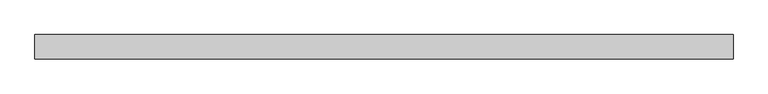
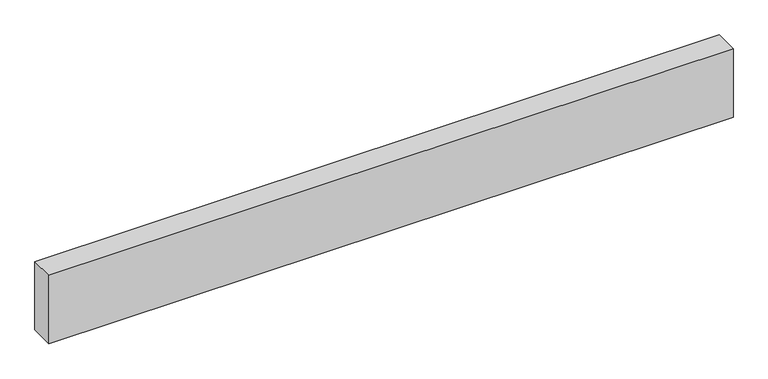
"""IFC4 building model written with IfcOpenShell, lengths in millimetres: proxy geometry."""

import ifcopenshell
import ifcopenshell.guid

model = None  # the IFC model being written
_history = None  # IfcOwnerHistory: only IFC2X3 demands one
_inside = {}  # id of a spatial element -> (the spatial element, [elements in it])
_under = {}  # id of a project, library or spatial element -> (it, [spatial elements below it])
_declared = {}  # id of a project -> (the project, [libraries it declares])
_typed = {}  # id of a type object -> (the type object, [elements of that type])
_made_of = {}  # id of a material, layer set ... -> (it, [elements and type objects made of it])


def new_model(schema):
    """Start an empty IFC model of exactly this schema.

    Asked for "IFC4X3", IfcOpenShell would pick the latest addendum, in which some entities
    have other attributes; the version numbers below select the first issue.
    IFC2X3 requires an IfcOwnerHistory on every rooted entity: one is made here for all.
    """
    global model, _history
    if schema == "IFC4X3":
        model = ifcopenshell.file(schema_version=(4, 3, 0, 0))
    else:
        model = ifcopenshell.file(schema=schema)
    _inside.clear()
    _under.clear()
    _declared.clear()
    _typed.clear()
    _made_of.clear()
    _history = None
    if model.schema == "IFC2X3":
        org = make("IfcOrganization", Name="unknown")
        user = make(
            "IfcPersonAndOrganization",
            ThePerson=make("IfcPerson", FamilyName="unknown"),
            TheOrganization=org,
        )
        app = make(
            "IfcApplication",
            ApplicationDeveloper=org,
            Version="unknown",
            ApplicationFullName="unknown",
            ApplicationIdentifier="unknown",
        )
        _history = make(
            "IfcOwnerHistory",
            OwningUser=user,
            OwningApplication=app,
            ChangeAction="ADDED",
            CreationDate=0,
        )
    return model


def make(cls, **values):
    """One entity of the class cls with the attributes given. An attribute that is None is left unset."""
    return model.create_entity(
        cls, **{name: value for name, value in values.items() if value is not None}
    )


def rooted(cls, **values):
    """An entity with a GlobalId (a new one), such as an element, a storey or a relation."""
    return make(cls, GlobalId=ifcopenshell.guid.new(), OwnerHistory=_history, **values)


def si_unit(unit_type, name, prefix=None):
    """IfcSIUnit, for example si_unit("LENGTHUNIT", "METRE", prefix="MILLI")."""
    return make("IfcSIUnit", UnitType=unit_type, Prefix=prefix, Name=name)


def assignment(units):
    """IfcUnitAssignment: the units of a project."""
    return None if units is None else make("IfcUnitAssignment", Units=units)


def point(xyz):
    """IfcCartesianPoint."""
    return None if xyz is None else make("IfcCartesianPoint", Coordinates=xyz)


def direction(xyz):
    """IfcDirection."""
    return None if xyz is None else make("IfcDirection", DirectionRatios=xyz)


def frame(location, z_axis=None, x_axis=None):
    """IfcAxis2Placement3D, a coordinate frame: its origin and axes. An axis left out is left unset."""
    return make(
        "IfcAxis2Placement3D",
        Location=point(location),
        Axis=direction(z_axis),
        RefDirection=direction(x_axis),
    )


def origin():
    """The frame at (0, 0, 0) with its axes left unset."""
    return frame((0.0, 0.0, 0.0))


def origin_with_axes():
    """The frame at (0, 0, 0) with the z axis (0, 0, 1) and the x axis (1, 0, 0) written out."""
    return frame((0.0, 0.0, 0.0), z_axis=(0.0, 0.0, 1.0), x_axis=(1.0, 0.0, 0.0))


def place(relative_to, where):
    """IfcLocalPlacement: puts the frame where relative to a parent placement (None: the world)."""
    return make(
        "IfcLocalPlacement", PlacementRelTo=relative_to, RelativePlacement=where
    )


def context(
    kind, dimensions, precision=None, world=None, true_north=None, identifier=None
):
    """IfcGeometricRepresentationContext, for example the 3D "Model" context."""
    return make(
        "IfcGeometricRepresentationContext",
        ContextIdentifier=identifier,
        ContextType=kind,
        CoordinateSpaceDimension=dimensions,
        Precision=precision,
        WorldCoordinateSystem=world,
        TrueNorth=true_north,
    )


def project(units=None, contexts=None):
    """IfcProject with its units and contexts."""
    return rooted(
        "IfcProject",
        Name="project",
        RepresentationContexts=contexts,
        UnitsInContext=assignment(units),
    )


def spatial(cls, under=None, at=None, **own):
    """A site, building, storey or space (cls), placed at a placement, below another one or the project."""
    s = rooted(cls, ObjectPlacement=at, **own)
    if under is not None:
        _under.setdefault(under.id(), (under, []))[1].append(s)
    return s


def polyline(points):
    """IfcPolyline through the points."""
    return make("IfcPolyline", Points=[point(p) for p in points])


def outline(outer, holes=None, kind="AREA"):
    """IfcArbitraryClosedProfileDef: a profile drawn as a closed curve; with holes, ...WithVoids."""
    if holes is None:
        return make("IfcArbitraryClosedProfileDef", ProfileType=kind, OuterCurve=outer)
    return make(
        "IfcArbitraryProfileDefWithVoids",
        ProfileType=kind,
        OuterCurve=outer,
        InnerCurves=holes,
    )


def extrude(swept, where, along, depth):
    """IfcExtrudedAreaSolid: the profile swept, set in the frame where, extruded along a direction by depth."""
    return make(
        "IfcExtrudedAreaSolid",
        SweptArea=swept,
        Position=where,
        ExtrudedDirection=direction(along),
        Depth=depth,
    )


def shape(context_of_items, identifier, shape_type, items):
    """IfcShapeRepresentation: the items that make up one representation, for example the "Body"."""
    return make(
        "IfcShapeRepresentation",
        ContextOfItems=context_of_items,
        RepresentationIdentifier=identifier,
        RepresentationType=shape_type,
        Items=items,
    )


def source(mapping_origin, context_of_items, identifier, shape_type, items):
    """IfcRepresentationMap: a shape defined once, which mapped items show again and again."""
    return make(
        "IfcRepresentationMap",
        MappingOrigin=mapping_origin,
        MappedRepresentation=shape(context_of_items, identifier, shape_type, items),
    )


def transform(
    local_origin,
    x_axis=None,
    y_axis=None,
    z_axis=None,
    scale=None,
    scale2=None,
    scale3=None,
    uniform=True,
):
    """IfcCartesianTransformationOperator3D, or its non-uniform kind. x_axis, y_axis, z_axis: its Axis1, 2, 3."""
    if uniform:
        return make(
            "IfcCartesianTransformationOperator3D",
            Axis1=direction(x_axis),
            Axis2=direction(y_axis),
            LocalOrigin=point(local_origin),
            Scale=scale,
            Axis3=direction(z_axis),
        )
    return make(
        "IfcCartesianTransformationOperator3DnonUniform",
        Axis1=direction(x_axis),
        Axis2=direction(y_axis),
        LocalOrigin=point(local_origin),
        Scale=scale,
        Axis3=direction(z_axis),
        Scale2=scale2,
        Scale3=scale3,
    )


def mapped(mapping_source, mapping_target):
    """IfcMappedItem: shows the shape of a source again, moved by a transform."""
    return make(
        "IfcMappedItem", MappingSource=mapping_source, MappingTarget=mapping_target
    )


def made_of(thing, what):
    """Note that an element or type object is made of a material, layer set ...; save() writes the relation."""
    if what is not None:
        _made_of.setdefault(what.id(), (what, []))[1].append(thing)
    return thing


def element(
    cls,
    number,
    at=None,
    inside=None,
    cuts=None,
    type_object=None,
    material=None,
    context=None,
    identifier="Body",
    shape_type=None,
    held_by="IfcProductDefinitionShape",
    body=None,
    shapes=None,
    **own,
):
    """One element of the class cls, such as IfcWall. Its Tag is "e" and its number.

    at: its placement. inside: the storey or other place that contains it. cuts: it is an
    opening in that element (IfcRelVoidsElement). A single representation is given by context,
    identifier, shape_type and body (its items); several are given by shapes. held_by: the class
    of the entity that holds the representations. save() writes the other relations.
    """
    e = rooted(cls, Tag="e%d" % number, ObjectPlacement=at, **own)
    if body is not None:
        shapes = [shape(context, identifier, shape_type, body)]
    if shapes is not None:
        e.Representation = make(held_by, Representations=shapes)
    if inside is not None:
        _inside.setdefault(inside.id(), (inside, []))[1].append(e)
    if cuts is not None:
        rooted(
            "IfcRelVoidsElement", RelatingBuildingElement=cuts, RelatedOpeningElement=e
        )
    if type_object is not None:
        _typed.setdefault(type_object.id(), (type_object, []))[1].append(e)
    return made_of(e, material)


def aggregate(whole, parts):
    """IfcRelAggregates: a whole, such as a stair, and the parts it consists of."""
    return rooted("IfcRelAggregates", RelatingObject=whole, RelatedObjects=parts)


def save(model, path):
    """Write the relations noted so far, then the file.

    IfcRelAggregates (storeys below a building ...), IfcRelContainedInSpatialStructure (elements
    in a storey), IfcRelDefinesByType, IfcRelAssociatesMaterial and IfcRelDeclares: one each for
    every whole, place, type object, material and project.
    """
    for whole, parts in _under.values():
        aggregate(whole, parts)
    for where, things in _inside.values():
        rooted(
            "IfcRelContainedInSpatialStructure",
            RelatedElements=things,
            RelatingStructure=where,
        )
    for kind, things in _typed.values():
        rooted("IfcRelDefinesByType", RelatedObjects=things, RelatingType=kind)
    for what, things in _made_of.values():
        rooted("IfcRelAssociatesMaterial", RelatedObjects=things, RelatingMaterial=what)
    for by, libraries in _declared.values():
        rooted("IfcRelDeclares", RelatingContext=by, RelatedDefinitions=libraries)
    model.write(path)


def generic_models_ffb44adb(model_context):
    return source(origin(), model_context, "Body", "SweptSolid", [
        extrude(outline(polyline([(2841.8156881, 0.0), (2841.8156881, -100.0), (0.0, -100.0), (0.0, 0.0), (2841.8156881, 0.0)])), origin_with_axes(), (0.0, 0.0, 1.0), 300.0),
    ])


if __name__ == "__main__":
    model = new_model("IFC4")
    model_context = context("Model", 3, world=origin())
    ifc_project = project(units=[si_unit("LENGTHUNIT", "METRE", prefix="MILLI")], contexts=[model_context])
    site = spatial("IfcSite", under=ifc_project)
    building = spatial("IfcBuilding", under=site)
    placement = place(None, origin())
    generic_models_shape = generic_models_ffb44adb(model_context)
    element("IfcBuildingElementProxy", 1, Name="Generic Models", at=placement, inside=building, context=model_context, shape_type="MappedRepresentation", body=[
        mapped(generic_models_shape, transform((0.0, 0.0, 0.0), x_axis=(1.0, 0.0, 0.0), y_axis=(0.0, 1.0, 0.0), z_axis=(0.0, 0.0, 1.0))),
    ])
    save(model, "model.ifc")
